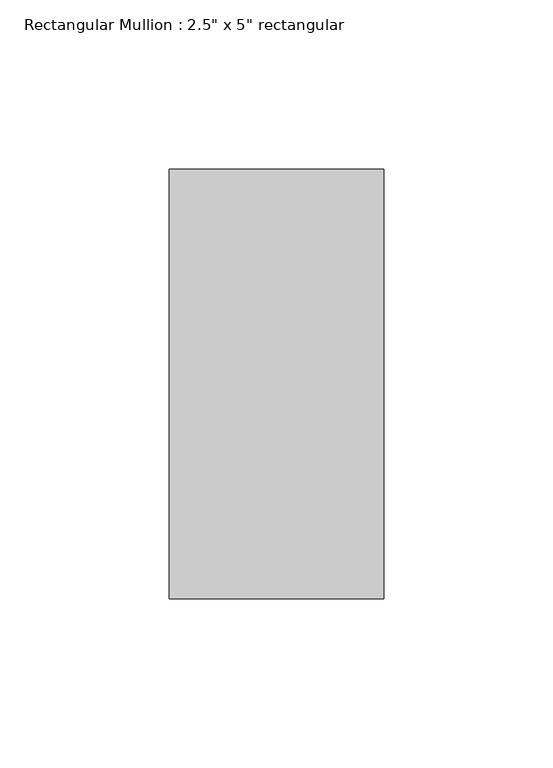
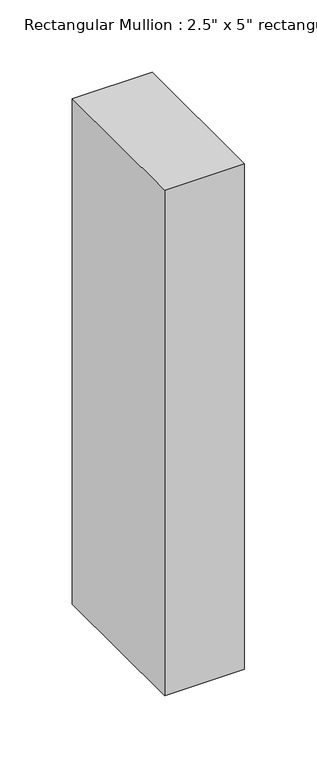
"""IFC4 building model written with IfcOpenShell, lengths in millimetres: member geometry."""

from ifc_helpers import new_model, si_unit, frame, origin, place, context, project, spatial, polyline, outline, extrude, source, transform, mapped, element, save


def member_70b87a21(model_context):
    return source(origin(), model_context, "Body", "SweptSolid", [
        extrude(outline(polyline([(31.75, 63.5), (31.75, -63.5), (-31.75, -63.5), (-31.75, 63.5), (31.75, 63.5)])), frame((0.0, 0.0, -425.45), z_axis=(0.0, 0.0, 1.0), x_axis=(1.0, 0.0, 0.0)), (0.0, 0.0, 1.0), 425.45),
    ])


if __name__ == "__main__":
    model = new_model("IFC4")
    model_context = context("Model", 3, world=origin())
    ifc_project = project(units=[si_unit("LENGTHUNIT", "METRE", prefix="MILLI")], contexts=[model_context])
    site = spatial("IfcSite", under=ifc_project)
    building = spatial("IfcBuilding", under=site)
    placement = place(None, origin())
    member_shape = member_70b87a21(model_context)
    element("IfcMember", 1, ObjectType="Rectangular Mullion : 2.5\" x 5\" rectangular", at=placement, inside=building, context=model_context, shape_type="MappedRepresentation", body=[
        mapped(member_shape, transform((0.0, 0.0, 0.0), x_axis=(1.0, 0.0, 0.0), y_axis=(0.0, 1.0, 0.0), z_axis=(0.0, 0.0, 1.0))),
    ])
    save(model, "model.ifc")
